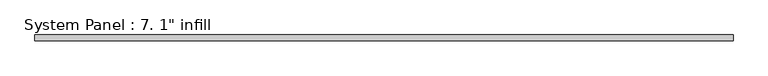
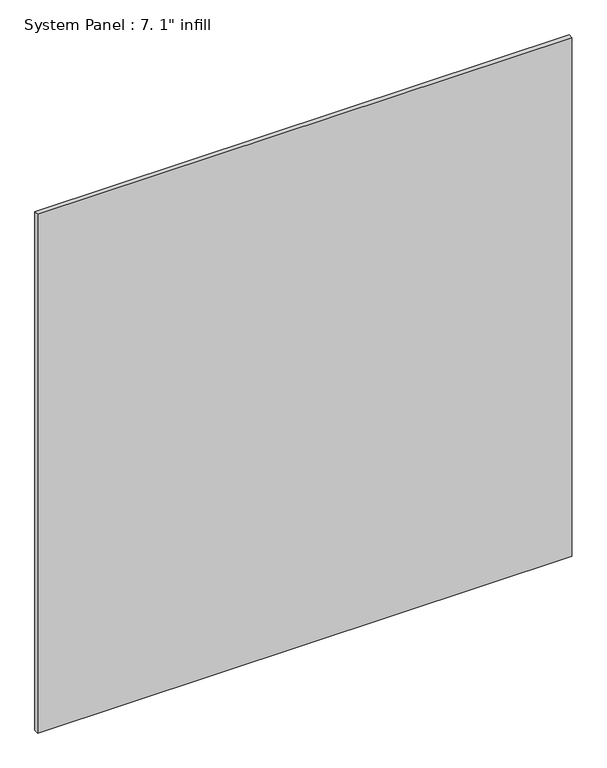
"""IFC4 building model written with IfcOpenShell, lengths in millimetres: plate geometry."""

from ifc_helpers import new_model, si_unit, origin, origin_with_axes, place, context, project, spatial, polyline, outline, extrude, source, transform, mapped, element, save


def plate_ffefd7d0(model_context):
    return source(origin(), model_context, "Body", "SweptSolid", [
        extrude(outline(polyline([(1485.0903107, -12.7), (-1485.0903107, -12.7), (-1485.0903107, 12.7), (1485.0903107, 12.7), (1485.0903107, -12.7)])), origin_with_axes(), (0.0, 0.0, 1.0), 3048.0),
    ])


if __name__ == "__main__":
    model = new_model("IFC4")
    model_context = context("Model", 3, world=origin())
    ifc_project = project(units=[si_unit("LENGTHUNIT", "METRE", prefix="MILLI")], contexts=[model_context])
    site = spatial("IfcSite", under=ifc_project)
    building = spatial("IfcBuilding", under=site)
    placement = place(None, origin())
    plate_shape = plate_ffefd7d0(model_context)
    element("IfcPlate", 1, ObjectType="System Panel : 7. 1\" infill", at=placement, inside=building, context=model_context, shape_type="MappedRepresentation", body=[
        mapped(plate_shape, transform((0.0, 0.0, 0.0), x_axis=(1.0, 0.0, 0.0), y_axis=(0.0, 1.0, 0.0), z_axis=(0.0, 0.0, 1.0))),
    ])
    save(model, "model.ifc")
